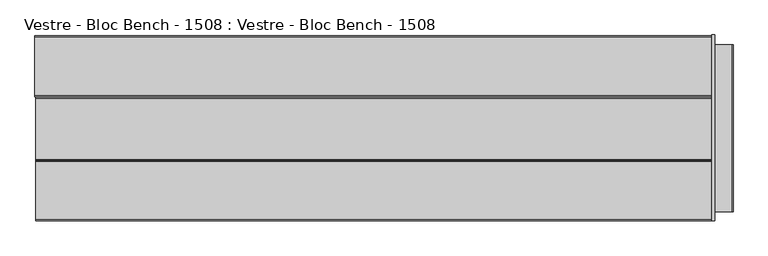
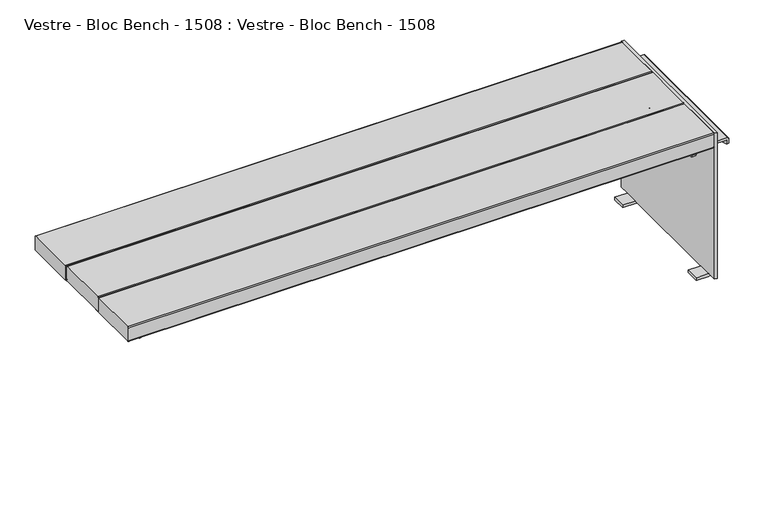
"""IFC4 building model written with IfcOpenShell, lengths in millimetres: furniture geometry, Vestre - Bloc Bench - 1508 : Vestre - Bloc Bench - 1508."""

from ifc_helpers import new_model, si_unit, point, frame, frame_2d, origin, place, context, project, spatial, polyline, circle_curve, trimmed, segment, composite_curve, outline, extrude, source, transform, mapped, element, save
from ifc_brep_helpers import plane_surface, cylinder_surface, revolved_surface, advanced_brep


def vestre_bloc_bench_1508_vestre_bloc_bench_1508_0c8565ea(model_context):
    return source(origin(), model_context, "Body", "SolidModel", [
        advanced_brep(
        [(-763.0957082, -211.5061851, 407.2390557), (-763.0957082, -211.5061851, 413.2390557), (-805.4916571, -211.5061851, 413.2390557), (-809.4916571, -211.5061851, 409.2390557), (-809.4916571, -211.5061851, 395.1864554), (-803.457634, -211.5061851, 395.1864554), (-803.457634, -211.5061851, 407.2390557), (-763.0957082, 211.5465998, 407.2390557), (-803.457634, 211.5465998, 407.2390557), (-803.457634, 211.5465998, 395.1864554), (-809.4916571, 211.5465998, 395.1864554), (-809.4916571, 211.5465998, 409.2390557), (-805.4916571, 211.5465998, 413.2390557), (-763.0957082, 211.5465998, 413.2390557)],
        [
            (0, 1),
            (1, 2),
            (2, 3, circle_curve(frame((-805.4916571, -211.5061851, 409.2390557), z_axis=(0.0, -1.0, 0.0), x_axis=(1.0, 0.0, 0.0)), 4.0)),
            (3, 4),
            (4, 5),
            (5, 6),
            (6, 0),
            (7, 8),
            (8, 9),
            (9, 10),
            (10, 11),
            (11, 12, circle_curve(frame((-805.4916571, 211.5465998, 409.2390557), z_axis=(0.0, 1.0, 0.0), x_axis=(1.0, 0.0, 0.0)), 4.0)),
            (12, 13),
            (13, 7),
            (0, 7),
            (13, 1),
            (12, 2),
            (5, 9, circle_curve(frame((-803.457634, 0.0, 885.6145565), z_axis=(1.0, 0.0, 0.0), x_axis=(0.0, -1.0, 0.0)), 534.0923035)),
            (8, 6),
            (11, 3),
            (10, 4, circle_curve(frame((-809.4916571, 0.0, 885.6145565), z_axis=(-1.0, 0.0, 0.0), x_axis=(0.0, -1.0, 0.0)), 534.0923035)),
        ],
        [
            plane_surface(frame((-763.0957082, -211.5061851, 407.2390557), z_axis=(0.0, -1.0, 0.0), x_axis=(0.0, 0.0, 1.0))),
            plane_surface(frame((-763.0957082, 211.5465998, 407.2390557), z_axis=(0.0, 1.0, 0.0), x_axis=(0.0, 0.0, -1.0))),
            plane_surface(frame((-763.0957082, -211.5061851, 407.2390557), z_axis=(1.0, 0.0, 0.0), x_axis=(0.0, 1.0, 0.0))),
            plane_surface(frame((-763.0957082, -211.5061851, 413.2390557), z_axis=(0.0, 0.0, 1.0), x_axis=(0.0, 1.0, 0.0))),
            plane_surface(frame((-803.457634, -211.5061851, 403.7964194), z_axis=(1.0, 0.0, 0.0), x_axis=(0.0, 1.0, 0.0))),
            plane_surface(frame((-803.457634, -211.5061851, 407.2390557), z_axis=(0.0, 0.0, -1.0), x_axis=(0.0, 1.0, 0.0))),
            cylinder_surface(frame((-805.4916571, 211.5465998, 409.2390557), z_axis=(0.0, -1.0, 0.0), x_axis=(1.0, 0.0, 0.0)), 4.0),
            plane_surface(frame((-809.4916571, -211.5061851, 409.2390557), z_axis=(-1.0, 0.0, 0.0), x_axis=(0.0, 1.0, 0.0))),
            cylinder_surface(frame((-809.4916571, 0.0, 885.6145565), z_axis=(1.0, 0.0, 0.0), x_axis=(0.0, -1.0, 0.0)), 534.0923035),
        ],
        [
            (0, [[1, 2, 3, 4, 5, 6, 7]]),
            (1, [[8, 9, 10, 11, 12, 13, 14]]),
            (2, [[-1, 15, -14, 16]]),
            (3, [[-2, -16, -13, 17]]),
            (4, [[-6, 18, -9, 19]]),
            (5, [[-7, -19, -8, -15]]),
            (6, [[-3, -17, -12, 20]]),
            (7, [[-4, -20, -11, 21]]),
            (8, [[-18, -5, -21, -10]]),
        ],
    ),
        advanced_brep(
        [(817.7140239, 205.3189256, 0.0), (817.7140239, 205.3189256, 8.0), (855.1742016, 205.3189256, 8.0), (863.1742016, 205.3189256, 8.0), (855.1744114, 205.3189256, 0.0002098), (817.7140239, 165.3189256, 0.0), (855.2323317, 165.3189256, 0.0), (863.1742016, 165.3189256, 8.0), (855.1742016, 165.3189256, 8.0), (817.7140239, 165.3189256, 8.0), (863.1742016, 235.8753492, 8.0), (863.1742016, 235.8753492, 458.0), (863.1742016, -233.5, 458.0), (863.1742016, -233.5, 8.0), (863.1742016, -205.3189256, 8.0), (863.1742016, -165.3189256, 8.0), (863.1742016, -211.5061851, 407.2390557), (863.1742016, -211.5061851, 413.2390557), (863.1742016, 211.5465998, 413.2390557), (863.1742016, 211.5465998, 407.2390557), (855.1742016, -165.3189256, 8.0), (855.1742016, -205.3189256, 8.0), (855.1742016, -233.5, 8.0), (855.1742016, -233.5, 458.0), (855.1742016, 235.8753492, 458.0), (855.1742016, 235.8753492, 8.0), (817.7140239, -205.3189256, 0.0), (855.2323317, -205.3189256, 0.0), (817.7140239, -205.3189256, 8.0), (817.7140239, -165.3189256, 0.0), (817.7140239, -165.3189256, 8.0), (855.1744114, -165.3189256, 0.0002098), (903.5361273, -211.5061851, 407.2390557), (903.5361273, -211.5061851, 395.1864554), (909.5701504, -211.5061851, 395.1864554), (909.5701504, -211.5061851, 409.2390557), (905.5701504, -211.5061851, 413.2390557), (905.5701504, 211.5465998, 413.2390557), (909.5701504, 211.5465998, 409.2390557), (909.5701504, 211.5465998, 395.1864554), (903.5361273, 211.5465998, 395.1864554), (903.5361273, 211.5465998, 407.2390557)],
        [
            (0, 1),
            (1, 2),
            (2, 3),
            (3, 4, circle_curve(frame((855.1744114, 205.3189256, 8.0), z_axis=(0.0, 1.0, 0.0), x_axis=(1.0, 0.0, 0.0)), 7.9997902)),
            (4, 0),
            (5, 6),
            (6, 7, circle_curve(frame((855.1744114, 165.3189256, 8.0), z_axis=(0.0, -1.0, 0.0), x_axis=(1.0, 0.0, 0.0)), 7.9997902)),
            (7, 8),
            (8, 9),
            (9, 5),
            (4, 6),
            (5, 0),
            (9, 1),
            (3, 7),
            (3, 10),
            (10, 11),
            (11, 12),
            (12, 13),
            (13, 14),
            (14, 15),
            (15, 7),
            (16, 17),
            (17, 18),
            (18, 19),
            (19, 16),
            (2, 8),
            (8, 20),
            (20, 21),
            (21, 22),
            (22, 23),
            (23, 24),
            (24, 25),
            (25, 2),
            (22, 13),
            (12, 23),
            (24, 11),
            (10, 25),
            (15, 20),
            (21, 14),
            (26, 27),
            (27, 14, circle_curve(frame((855.1744114, -205.3189256, 8.0), z_axis=(0.0, -1.0, 0.0), x_axis=(1.0, 0.0, 0.0)), 7.9997902)),
            (21, 28),
            (28, 26),
            (29, 30),
            (30, 20),
            (15, 31, circle_curve(frame((855.1744114, -165.3189256, 8.0), z_axis=(0.0, 1.0, 0.0), x_axis=(1.0, 0.0, 0.0)), 7.9997902)),
            (31, 29),
            (26, 29),
            (31, 27),
            (28, 30),
            (16, 32),
            (32, 33),
            (33, 34),
            (34, 35),
            (35, 36, circle_curve(frame((905.5701504, -211.5061851, 409.2390557), z_axis=(0.0, -1.0, 0.0), x_axis=(-1.0, 0.0, 0.0)), 4.0)),
            (36, 17),
            (18, 37),
            (37, 38, circle_curve(frame((905.5701504, 211.5465998, 409.2390557), z_axis=(0.0, 1.0, 0.0), x_axis=(-1.0, 0.0, 0.0)), 4.0)),
            (38, 39),
            (39, 40),
            (40, 41),
            (41, 19),
            (36, 37),
            (32, 41),
            (40, 33, circle_curve(frame((903.5361273, 0.0, 885.6145565), z_axis=(-1.0, 0.0, 0.0), x_axis=(0.0, -1.0, 0.0)), 534.0923035)),
            (35, 38),
            (34, 39, circle_curve(frame((909.5701504, 0.0, 885.6145565), z_axis=(1.0, 0.0, 0.0), x_axis=(0.0, -1.0, 0.0)), 534.0923035)),
        ],
        [
            plane_surface(frame((817.7140239, 205.3189256, 8.1544618), z_axis=(0.0, 1.0, 0.0), x_axis=(0.0, 0.0, 1.0))),
            plane_surface(frame((817.7140239, 165.3189256, 8.1544618), z_axis=(0.0, -1.0, 0.0), x_axis=(0.0, 0.0, -1.0))),
            plane_surface(frame((855.2323317, 205.3189256, 0.0), z_axis=(0.0, 0.0, -1.0), x_axis=(0.0, -1.0, 0.0))),
            plane_surface(frame((817.7140239, 205.3189256, 0.0), z_axis=(-1.0, 0.0, 0.0), x_axis=(0.0, -1.0, 0.0))),
            cylinder_surface(frame((855.1744114, 165.3189256, 8.0), z_axis=(0.0, 1.0, 0.0), x_axis=(1.0, 0.0, 0.0)), 7.9997902),
            plane_surface(frame((863.1742016, 205.3189256, 12.2663645), z_axis=(1.0, 0.0, 0.0), x_axis=(0.0, -1.0, 0.0))),
            plane_surface(frame((855.1742016, 205.3189256, 8.0), z_axis=(-1.0, 0.0, 0.0), x_axis=(0.0, -1.0, 0.0))),
            plane_surface(frame((817.7140239, 205.3189256, 8.0), z_axis=(0.0, 0.0, 1.0), x_axis=(0.0, -1.0, 0.0))),
            plane_surface(frame((855.1742016, -233.5, 8.0), z_axis=(0.0, -1.0, 0.0), x_axis=(1.0, 0.0, 0.0))),
            plane_surface(frame((855.1742016, 235.8753492, 8.0), z_axis=(0.0, 1.0, 0.0), x_axis=(-1.0, 0.0, 0.0))),
            plane_surface(frame((855.1742016, -233.5, 8.0), z_axis=(0.0, 0.0, -1.0), x_axis=(0.0, 1.0, 0.0))),
            plane_surface(frame((863.1742016, -233.5, 458.0), z_axis=(0.0, 0.0, 1.0), x_axis=(0.0, 1.0, 0.0))),
            plane_surface(frame((863.2280015, -205.3189256, 0.0), z_axis=(0.0, -1.0, 0.0), x_axis=(1.0, 0.0, 0.0))),
            plane_surface(frame((863.2280015, -165.3189256, 0.0), z_axis=(0.0, 1.0, 0.0), x_axis=(-1.0, 0.0, 0.0))),
            plane_surface(frame((817.7140239, -205.3189256, 0.0), z_axis=(0.0, 0.0, -1.0), x_axis=(0.0, 1.0, 0.0))),
            plane_surface(frame((817.7140239, -205.3189256, 8.0), z_axis=(-1.0, 0.0, 0.0), x_axis=(0.0, 1.0, 0.0))),
            cylinder_surface(frame((855.1744114, -165.3189256, 8.0), z_axis=(0.0, -1.0, 0.0), x_axis=(1.0, 0.0, 0.0)), 7.9997902),
            plane_surface(frame((855.1742016, -205.3189256, 8.0), z_axis=(0.0, 0.0, 1.0), x_axis=(0.0, 1.0, 0.0))),
            plane_surface(frame((903.5361273, -211.5061851, 407.2390557), z_axis=(0.0, -1.0, 0.0), x_axis=(1.0, 0.0, 0.0))),
            plane_surface(frame((903.5361273, 211.5465998, 407.2390557), z_axis=(0.0, 1.0, 0.0), x_axis=(-1.0, 0.0, 0.0))),
            plane_surface(frame((905.5701504, -211.5061851, 413.2390557), z_axis=(0.0, 0.0, 1.0), x_axis=(0.0, 1.0, 0.0))),
            plane_surface(frame((903.5361273, -211.5061851, 407.2390557), z_axis=(-1.0, 0.0, 0.0), x_axis=(0.0, 1.0, 0.0))),
            plane_surface(frame((863.1742016, -211.5061851, 407.2390557), z_axis=(0.0, 0.0, -1.0), x_axis=(0.0, 1.0, 0.0))),
            cylinder_surface(frame((905.5701504, 211.5465998, 409.2390557), z_axis=(0.0, -1.0, 0.0), x_axis=(-1.0, 0.0, 0.0)), 4.0),
            plane_surface(frame((909.5701504, -211.5061851, 403.7964194), z_axis=(1.0, 0.0, 0.0), x_axis=(0.0, 1.0, 0.0))),
            cylinder_surface(frame((909.5701504, 0.0, 885.6145565), z_axis=(-1.0, 0.0, 0.0), x_axis=(0.0, -1.0, 0.0)), 534.0923035),
        ],
        [
            (0, [[1, 2, 3, 4, 5]]),
            (1, [[6, 7, 8, 9, 10]]),
            (2, [[-5, 11, -6, 12]]),
            (3, [[-1, -12, -10, 13]]),
            (4, [[-4, 14, -7, -11]]),
            (5, [[-14, 15, 16, 17, 18, 19, 20, 21], [22, 23, 24, 25]]),
            (6, [[26, 27, 28, 29, 30, 31, 32, 33]]),
            (7, [[-2, -13, -9, -26]]),
            (8, [[34, -18, 35, -30]]),
            (9, [[-32, 36, -16, 37]]),
            (10, [[-8, -21, 38, -27]]),
            (10, [[-34, -29, 39, -19]]),
            (10, [[-37, -15, -3, -33]]),
            (11, [[-35, -17, -36, -31]]),
            (12, [[40, 41, -39, 42, 43]]),
            (13, [[44, 45, -38, 46, 47]]),
            (14, [[-40, 48, -47, 49]]),
            (15, [[-43, 50, -44, -48]]),
            (16, [[-41, -49, -46, -20]]),
            (17, [[-42, -28, -45, -50]]),
            (18, [[51, 52, 53, 54, 55, 56, -22]]),
            (19, [[57, 58, 59, 60, 61, 62, -24]]),
            (20, [[-56, 63, -57, -23]]),
            (21, [[-52, 64, -61, 65]]),
            (22, [[-64, -51, -25, -62]]),
            (23, [[-55, 66, -58, -63]]),
            (24, [[-59, -66, -54, 67]]),
            (25, [[-65, -60, -67, -53]]),
        ],
    ),
        advanced_brep(
        [(803.457634, 211.5061851, 407.2390557), (803.457634, 211.5061851, 395.1864554), (803.457634, 208.0492713, 387.4220999), (803.457634, 0.0, 351.522253), (803.457634, -208.0492713, 387.4220999), (803.457634, -211.5061851, 395.1864554), (803.457634, -211.5061851, 407.2390557), (803.457634, 0.0, 407.2390557), (803.457634, -11.8592377, 366.3746227), (803.457634, -21.8592377, 366.3746227), (803.457634, 14.2571548, 390.0986559), (803.457634, 24.2571548, 390.0986559), (803.457634, 13.0401943, 377.5777405), (803.457634, -10.1221662, 377.5777405), (803.457634, 136.5858041, 385.4289802), (803.457634, 146.5858041, 385.4289802), (803.457634, -143.4141959, 385.4289802), (803.457634, -133.4141959, 385.4289802), (815.5256801, -211.5061851, 407.2390557), (815.5256801, -211.5061851, 395.1864554), (815.5256801, -208.0492713, 387.4220999), (815.5256801, 0.0, 351.522253), (815.5256801, 208.0492713, 387.4220999), (815.5256801, 211.5061851, 395.1864554), (815.5256801, 211.5061851, 407.2390557), (815.5256801, 0.0, 407.2390557), (815.5256801, -21.8592377, 366.3746227), (815.5256801, -11.8592377, 366.3746227), (815.5256801, 24.2571548, 390.0986559), (815.5256801, 14.2571548, 390.0986559), (815.5256801, -10.1221662, 377.5777405), (815.5256801, 13.0401943, 377.5777405), (815.5256801, 146.5858041, 385.4289802), (815.5256801, 136.5858041, 385.4289802), (815.5256801, -133.4141959, 385.4289802), (815.5256801, -143.4141959, 385.4289802), (763.0957082, 211.5061851, 407.2390557), (763.0957082, 211.5061851, 413.2390557), (805.4916571, 211.5061851, 413.2390557), (809.4916571, 211.5061851, 409.2390557), (813.4916571, 211.5061851, 413.2390557), (855.1742016, 211.5061851, 413.2390557), (855.1742016, 211.5061851, 407.2390557), (855.1742016, -211.5061851, 407.2390557), (855.1742016, -211.5061851, 413.2390557), (813.4916571, -211.5061851, 413.2390557), (809.4916571, -211.5061851, 409.2390557), (805.4916571, -211.5061851, 413.2390557), (763.0957082, -211.5061851, 413.2390557), (763.0957082, -211.5061851, 407.2390557)],
        [
            (0, 1),
            (1, 2),
            (2, 3, circle_curve(frame((803.457634, -11.7259436, 1040.277924), z_axis=(-1.0, 0.0, 0.0), x_axis=(0.0, -1.0, 0.0)), 688.8554798)),
            (3, 4, circle_curve(frame((803.457634, 11.7259436, 1040.277924), z_axis=(-1.0, 0.0, 0.0), x_axis=(0.0, 1.0, 0.0)), 688.8554798)),
            (4, 5),
            (5, 6),
            (6, 7),
            (7, 0),
            (8, 9, circle_curve(frame((803.457634, -16.8592377, 366.3746227), z_axis=(1.0, 0.0, 0.0), x_axis=(0.0, -1.0, 0.0)), 5.0)),
            (9, 8, circle_curve(frame((803.457634, -16.8592377, 366.3746227), z_axis=(1.0, 0.0, 0.0), x_axis=(0.0, -1.0, 0.0)), 5.0)),
            (10, 11, circle_curve(frame((803.457634, 19.2571548, 390.0986559), z_axis=(1.0, 0.0, 0.0), x_axis=(0.0, 1.0, 0.0)), 5.0)),
            (11, 10, circle_curve(frame((803.457634, 19.2571548, 390.0986559), z_axis=(1.0, 0.0, 0.0), x_axis=(0.0, 1.0, 0.0)), 5.0)),
            (12, 13, circle_curve(frame((803.457634, 1.459014, 377.5777405), z_axis=(1.0, 0.0, 0.0), x_axis=(0.0, -1.0, 0.0)), 11.5811802)),
            (13, 12, circle_curve(frame((803.457634, 1.459014, 377.5777405), z_axis=(1.0, 0.0, 0.0), x_axis=(0.0, -1.0, 0.0)), 11.5811802)),
            (14, 15, circle_curve(frame((803.457634, 141.5858041, 385.4289802), z_axis=(1.0, 0.0, 0.0), x_axis=(0.0, 1.0, 0.0)), 5.0)),
            (15, 14, circle_curve(frame((803.457634, 141.5858041, 385.4289802), z_axis=(1.0, 0.0, 0.0), x_axis=(0.0, 1.0, 0.0)), 5.0)),
            (16, 17, circle_curve(frame((803.457634, -138.4141959, 385.4289802), z_axis=(1.0, 0.0, 0.0), x_axis=(0.0, 1.0, 0.0)), 5.0)),
            (17, 16, circle_curve(frame((803.457634, -138.4141959, 385.4289802), z_axis=(1.0, 0.0, 0.0), x_axis=(0.0, 1.0, 0.0)), 5.0)),
            (18, 19),
            (19, 20),
            (20, 21, circle_curve(frame((815.5256801, 11.7259436, 1040.277924), z_axis=(1.0, 0.0, 0.0), x_axis=(0.0, 1.0, 0.0)), 688.8554798)),
            (21, 22, circle_curve(frame((815.5256801, -11.7259436, 1040.277924), z_axis=(1.0, 0.0, 0.0), x_axis=(0.0, -1.0, 0.0)), 688.8554798)),
            (22, 23),
            (23, 24),
            (24, 25),
            (25, 18),
            (26, 27, circle_curve(frame((815.5256801, -16.8592377, 366.3746227), z_axis=(-1.0, 0.0, 0.0), x_axis=(0.0, -1.0, 0.0)), 5.0)),
            (27, 26, circle_curve(frame((815.5256801, -16.8592377, 366.3746227), z_axis=(-1.0, 0.0, 0.0), x_axis=(0.0, -1.0, 0.0)), 5.0)),
            (28, 29, circle_curve(frame((815.5256801, 19.2571548, 390.0986559), z_axis=(-1.0, 0.0, 0.0), x_axis=(0.0, 1.0, 0.0)), 5.0)),
            (29, 28, circle_curve(frame((815.5256801, 19.2571548, 390.0986559), z_axis=(-1.0, 0.0, 0.0), x_axis=(0.0, 1.0, 0.0)), 5.0)),
            (30, 31, circle_curve(frame((815.5256801, 1.459014, 377.5777405), z_axis=(-1.0, 0.0, 0.0), x_axis=(0.0, -1.0, 0.0)), 11.5811802)),
            (31, 30, circle_curve(frame((815.5256801, 1.459014, 377.5777405), z_axis=(-1.0, 0.0, 0.0), x_axis=(0.0, -1.0, 0.0)), 11.5811802)),
            (32, 33, circle_curve(frame((815.5256801, 141.5858041, 385.4289802), z_axis=(-1.0, 0.0, 0.0), x_axis=(0.0, 1.0, 0.0)), 5.0)),
            (33, 32, circle_curve(frame((815.5256801, 141.5858041, 385.4289802), z_axis=(-1.0, 0.0, 0.0), x_axis=(0.0, 1.0, 0.0)), 5.0)),
            (34, 35, circle_curve(frame((815.5256801, -138.4141959, 385.4289802), z_axis=(-1.0, 0.0, 0.0), x_axis=(0.0, 1.0, 0.0)), 5.0)),
            (35, 34, circle_curve(frame((815.5256801, -138.4141959, 385.4289802), z_axis=(-1.0, 0.0, 0.0), x_axis=(0.0, 1.0, 0.0)), 5.0)),
            (23, 1),
            (0, 36),
            (36, 37),
            (37, 38),
            (38, 39, circle_curve(frame((805.4916571, 211.5061851, 409.2390557), z_axis=(0.0, 1.0, 0.0), x_axis=(-1.0, 0.0, 0.0)), 4.0)),
            (39, 40, circle_curve(frame((813.4916571, 211.5061851, 409.2390557), z_axis=(0.0, 1.0, 0.0), x_axis=(-1.0, 0.0, 0.0)), 4.0)),
            (40, 41),
            (41, 42),
            (42, 24),
            (5, 19),
            (18, 43),
            (43, 44),
            (44, 45),
            (45, 46, circle_curve(frame((813.4916571, -211.5061851, 409.2390557), z_axis=(0.0, -1.0, 0.0), x_axis=(-1.0, 0.0, 0.0)), 4.0)),
            (46, 47, circle_curve(frame((805.4916571, -211.5061851, 409.2390557), z_axis=(0.0, -1.0, 0.0), x_axis=(-1.0, 0.0, 0.0)), 4.0)),
            (47, 48),
            (48, 49),
            (49, 6),
            (4, 20),
            (22, 2),
            (3, 21),
            (26, 9),
            (8, 27),
            (28, 11),
            (10, 29),
            (30, 13),
            (12, 31),
            (32, 15),
            (14, 33),
            (34, 17),
            (16, 35),
            (48, 37),
            (36, 49),
            (47, 38),
            (43, 42),
            (41, 44),
            (46, 39),
            (45, 40),
        ],
        [
            plane_surface(frame((803.457634, 211.5061851, 395.1864554), z_axis=(-1.0, 0.0, 0.0), x_axis=(0.0, -0.4067366430758029, -0.9135454576425998))),
            plane_surface(frame((815.5256801, 211.5061851, 395.1864554), z_axis=(1.0, 0.0, 0.0), x_axis=(0.0, 0.4067366430758029, 0.9135454576425998))),
            plane_surface(frame((803.457634, 211.5061851, 407.2390557), z_axis=(0.0, 1.0, 0.0), x_axis=(1.0, 0.0, 0.0))),
            plane_surface(frame((803.457634, -211.5061851, 395.1864554), z_axis=(0.0, -1.0, 0.0), x_axis=(1.0, 0.0, 0.0))),
            plane_surface(frame((803.457634, -208.0492713, 387.4220999), z_axis=(0.0, -0.9135454576426094, -0.4067366430757813), x_axis=(1.0, 0.0, 0.0))),
            plane_surface(frame((803.457634, 211.5061851, 395.1864554), z_axis=(0.0, 0.9135454576425998, -0.4067366430758029), x_axis=(1.0, 0.0, 0.0))),
            cylinder_surface(frame((815.5256801, 11.7259436, 1040.277924), z_axis=(-1.0, 0.0, 0.0), x_axis=(0.0, 1.0, 0.0)), 688.8554798),
            cylinder_surface(frame((815.5256801, -11.7259436, 1040.277924), z_axis=(-1.0, 0.0, 0.0), x_axis=(0.0, -1.0, 0.0)), 688.8554798),
            revolved_surface(polyline([(803.457634, -21.8592377, 366.3746227), (815.5256801, -21.8592377, 366.3746227)]), (817.37376, -16.8592377, 366.3746227), (-1.0, 0.0, 0.0)),
            revolved_surface(polyline([(803.457634, 24.2571548, 390.0986559), (815.5256801, 24.2571548, 390.0986559)]), (0.0, 19.2571548, 390.0986559), (-1.0, 0.0, 0.0)),
            revolved_surface(polyline([(803.457634, -10.1221662, 377.5777405), (815.5256801, -10.1221662, 377.5777405)]), (0.0, 1.459014, 377.5777405), (-1.0, 0.0, 0.0)),
            revolved_surface(polyline([(803.457634, 146.5858041, 385.4289802), (815.5256801, 146.5858041, 385.4289802)]), (0.0, 141.5858041, 385.4289802), (-1.0, 0.0, 0.0)),
            revolved_surface(polyline([(803.457634, -133.4141959, 385.4289802), (815.5256801, -133.4141959, 385.4289802)]), (0.0, -138.4141959, 385.4289802), (-1.0, 0.0, 0.0)),
            plane_surface(frame((763.0957082, -211.5061851, 413.2390557), z_axis=(-1.0, 0.0, 0.0), x_axis=(0.0, 1.0, 0.0))),
            plane_surface(frame((805.4916571, -211.5061851, 413.2390557), z_axis=(0.0, 0.0, 1.0), x_axis=(0.0, 1.0, 0.0))),
            plane_surface(frame((855.1742016, -211.5061851, 407.2390557), z_axis=(1.0, 0.0, 0.0), x_axis=(0.0, 1.0, 0.0))),
            plane_surface(frame((815.5256801, -211.5061851, 407.2390557), z_axis=(0.0, 0.0, -1.0), x_axis=(0.0, 1.0, 0.0))),
            plane_surface(frame((763.0957082, -211.5061851, 407.2390557), z_axis=(0.0, 0.0, -1.0), x_axis=(0.0, 1.0, 0.0))),
            cylinder_surface(frame((805.4916571, 211.5465998, 409.2390557), z_axis=(0.0, -1.0, 0.0), x_axis=(-1.0, 0.0, 0.0)), 4.0),
            cylinder_surface(frame((813.4916571, 211.5465998, 409.2390557), z_axis=(0.0, -1.0, 0.0), x_axis=(-1.0, 0.0, 0.0)), 4.0),
            plane_surface(frame((855.1742016, -211.5061851, 413.2390557), z_axis=(0.0, 0.0, 1.0), x_axis=(0.0, 1.0, 0.0))),
        ],
        [
            (0, [[1, 2, 3, 4, 5, 6, 7, 8], [9, 10], [11, 12], [13, 14], [15, 16], [17, 18]]),
            (1, [[19, 20, 21, 22, 23, 24, 25, 26], [27, 28], [29, 30], [31, 32], [33, 34], [35, 36]]),
            (2, [[37, -1, 38, 39, 40, 41, 42, 43, 44, 45, -24]]),
            (3, [[46, -19, 47, 48, 49, 50, 51, 52, 53, 54, -6]]),
            (4, [[-5, 55, -20, -46]]),
            (5, [[-2, -37, -23, 56]]),
            (6, [[-4, 57, -21, -55]]),
            (7, [[-3, -56, -22, -57]]),
            (8, [[58, -9, 59, -27]]),
            (8, [[-58, -28, -59, -10]]),
            (9, [[60, -11, 61, -29]]),
            (9, [[-60, -30, -61, -12]]),
            (10, [[62, -13, 63, -31]]),
            (10, [[-62, -32, -63, -14]]),
            (11, [[64, -15, 65, -33]]),
            (11, [[-64, -34, -65, -16]]),
            (12, [[66, -17, 67, -35]]),
            (12, [[-66, -36, -67, -18]]),
            (13, [[-53, 68, -39, 69]]),
            (14, [[-52, 70, -40, -68]]),
            (15, [[-48, 71, -44, 72]]),
            (16, [[-47, -26, -25, -45, -71]]),
            (17, [[-54, -69, -38, -8, -7]]),
            (18, [[-51, 73, -41, -70]]),
            (19, [[-50, 74, -42, -73]]),
            (20, [[-49, -72, -43, -74]]),
        ],
    ),
        extrude(outline(polyline([(19.9098473, -209.4222712), (-20.5645425, -209.4222712), (-20.5645425, 210.5774609), (19.9098473, 210.5774609), (19.9098473, -209.4222712)])), frame((0.0, 0.0, 407.2390557), z_axis=(0.0, 0.0, 1.0), x_axis=(1.0, 0.0, 0.0)), (0.0, 0.0, 1.0), 6.0),
        extrude(outline(composite_curve([segment(polyline([(79.2691296, 455.2390557), (79.2691296, 416.2659543)]), True, "CONTINUOUS"), segment(trimmed(circle_curve(frame_2d((76.2422309, 416.2659543)), 3.0268986), [point((79.2691296, 416.2659543))], [point((76.2422309, 413.2390557))], False, "CARTESIAN"), True, "CONTINUOUS"), segment(polyline([(76.2422309, 413.2390557), (-77.8227214, 413.2390557)]), True, "CONTINUOUS"), segment(trimmed(circle_curve(frame_2d((-77.8227214, 416.2609984)), 3.0219427), [point((-77.8227214, 413.2390557))], [point((-80.8446641, 416.2609984))], False, "CARTESIAN"), True, "CONTINUOUS"), segment(polyline([(-80.8446641, 416.2609984), (-80.8446641, 455.2390557)]), True, "CONTINUOUS"), segment(trimmed(circle_curve(frame_2d((-77.8446641, 455.2390557)), 3.0), [point((-80.8446641, 455.2390557))], [point((-77.8446641, 458.2390557))], False, "CARTESIAN"), True, "CONTINUOUS"), segment(polyline([(-77.8446641, 458.2390557), (76.2691296, 458.2390557)]), True, "CONTINUOUS"), segment(trimmed(circle_curve(frame_2d((76.2691296, 455.2390557)), 3.0), [point((76.2691296, 458.2390557))], [point((79.2691296, 455.2390557))], False, "CARTESIAN"), True, "CONTINUOUS")], self_intersect=False)), frame((-853.4300581, 0.0, 0.0), z_axis=(1.0, 0.0, 0.0), x_axis=(0.0, 1.0, 0.0)), (0.0, 0.0, 1.0), 1708.6042596),
        extrude(outline(composite_curve([segment(trimmed(circle_curve(frame_2d((82.3120206, 455.2390557)), 3.0), [point((79.3120206, 455.2390557))], [point((82.3120206, 458.2390557))], False, "CARTESIAN"), True, "CONTINUOUS"), segment(polyline([(82.3120206, 458.2390557), (230.5, 458.2390557)]), True, "CONTINUOUS"), segment(trimmed(circle_curve(frame_2d((230.5, 455.2390557)), 3.0), [point((230.5, 458.2390557))], [point((233.5, 455.2390557))], False, "CARTESIAN"), True, "CONTINUOUS"), segment(polyline([(233.5, 455.2390557), (233.5, 416.2609984)]), True, "CONTINUOUS"), segment(trimmed(circle_curve(frame_2d((230.4780573, 416.2609984)), 3.0219427), [point((233.5, 416.2609984))], [point((230.4780573, 413.2390557))], False, "CARTESIAN"), True, "CONTINUOUS"), segment(polyline([(230.4780573, 413.2390557), (82.3389192, 413.2390557)]), True, "CONTINUOUS"), segment(trimmed(circle_curve(frame_2d((82.3389192, 416.2659543)), 3.0268986), [point((82.3389192, 413.2390557))], [point((79.3120206, 416.2659543))], False, "CARTESIAN"), True, "CONTINUOUS"), segment(polyline([(79.3120206, 416.2659543), (79.3120206, 455.2390557)]), True, "CONTINUOUS")], self_intersect=False)), frame((-855.1742016, 0.0, 0.0), z_axis=(1.0, 0.0, 0.0), x_axis=(0.0, 1.0, 0.0)), (0.0, 0.0, 1.0), 1710.3484031),
        extrude(outline(composite_curve([segment(polyline([(-80.8956385, 455.2390557), (-80.8956385, 416.2659543)]), True, "CONTINUOUS"), segment(trimmed(circle_curve(frame_2d((-83.9225371, 416.2659543)), 3.0268986), [point((-80.8956385, 416.2659543))], [point((-83.9225371, 413.2390557))], False, "CARTESIAN"), True, "CONTINUOUS"), segment(polyline([(-83.9225371, 413.2390557), (-230.4780573, 413.2390557)]), True, "CONTINUOUS"), segment(trimmed(circle_curve(frame_2d((-230.4780573, 416.2609984)), 3.0219427), [point((-230.4780573, 413.2390557))], [point((-233.5, 416.2609984))], False, "CARTESIAN"), True, "CONTINUOUS"), segment(polyline([(-233.5, 416.2609984), (-233.5, 455.2390557)]), True, "CONTINUOUS"), segment(trimmed(circle_curve(frame_2d((-230.5, 455.2390557)), 3.0), [point((-233.5, 455.2390557))], [point((-230.5, 458.2390557))], False, "CARTESIAN"), True, "CONTINUOUS"), segment(polyline([(-230.5, 458.2390557), (-83.8956385, 458.2390557)]), True, "CONTINUOUS"), segment(trimmed(circle_curve(frame_2d((-83.8956385, 455.2390557)), 3.0), [point((-83.8956385, 458.2390557))], [point((-80.8956385, 455.2390557))], False, "CARTESIAN"), True, "CONTINUOUS")], self_intersect=False)), frame((-853.4300581, 0.0, 0.0), z_axis=(1.0, 0.0, 0.0), x_axis=(0.0, 1.0, 0.0)), (0.0, 0.0, 1.0), 1708.6042596),
        extrude(outline(polyline([(90.756685, 386.8986812), (88.7566863, 388.8986812), (88.7566863, 405.2390557), (90.756685, 407.2390557), (126.5317546, 407.2390557), (128.5317534, 405.2390557), (128.5317534, 388.8986812), (126.5317546, 386.8986812), (90.756685, 386.8986812)])), frame((-803.457634, 0.0, 0.0), z_axis=(1.0, 0.0, 0.0), x_axis=(0.0, 1.0, 0.0)), (0.0, 0.0, 1.0), 1605.9989754),
        extrude(outline(polyline([(-89.4683352, 386.8136339), (-125.4676889, 386.8136339), (-127.4676877, 388.8136339), (-127.4676877, 405.2390557), (-125.4676889, 407.2390557), (-89.4683352, 407.2390557), (-87.4683365, 405.2390557), (-87.4683365, 388.8136339), (-89.4683352, 386.8136339)])), frame((-803.457634, 0.0, 0.0), z_axis=(1.0, 0.0, 0.0), x_axis=(0.0, 1.0, 0.0)), (0.0, 0.0, 1.0), 1605.9989754),
    ])


if __name__ == "__main__":
    model = new_model("IFC4")
    model_context = context("Model", 3, world=origin())
    ifc_project = project(units=[si_unit("LENGTHUNIT", "METRE", prefix="MILLI")], contexts=[model_context])
    site = spatial("IfcSite", under=ifc_project)
    building = spatial("IfcBuilding", under=site)
    placement = place(None, origin())
    vestre_bloc_bench_1508_vestre_bloc_bench_1508_shape = vestre_bloc_bench_1508_vestre_bloc_bench_1508_0c8565ea(model_context)
    element("IfcFurniture", 1, ObjectType="Vestre - Bloc Bench - 1508 : Vestre - Bloc Bench - 1508", at=placement, inside=building, context=model_context, shape_type="MappedRepresentation", body=[
        mapped(vestre_bloc_bench_1508_vestre_bloc_bench_1508_shape, transform((0.0, 0.0, 0.0), x_axis=(1.0, 0.0, 0.0), y_axis=(0.0, 1.0, 0.0), z_axis=(0.0, 0.0, 1.0))),
    ])
    save(model, "model.ifc")
